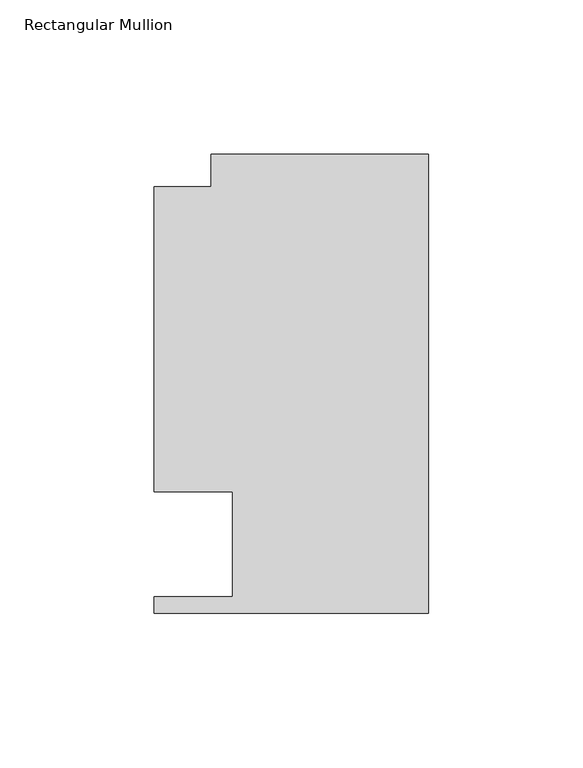
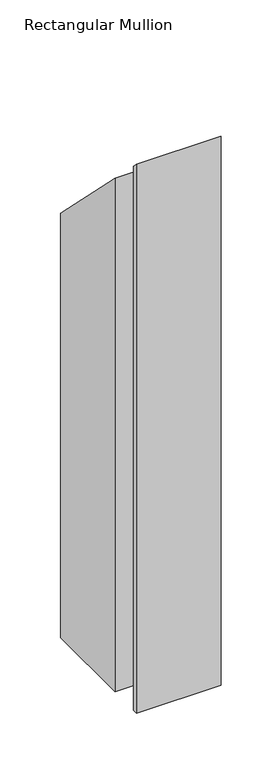
"""IFC4 building model written with IfcOpenShell, lengths in millimetres: member geometry, Rectangular Mullion."""

from ifc_helpers import new_model, si_unit, origin, place, context, project, spatial, faceted_brep, source, transform, mapped, element, save


def rectangular_mullion_9b3cb463(model_context):
    return source(origin(), model_context, "Body", "Brep", [
        faceted_brep([(0.0, 148.737016, -609.56825), (0.0, 0.0198437, -609.56825), (-88.9090899, 0.0198437, -609.56825), (-88.9090899, 5.3538437, -609.56825), (-63.5090899, 5.3538437, -609.56825), (-63.5090899, 39.3898438, -609.56825), (-88.9090899, 39.3898438, -609.56825), (-88.9090899, 138.3230199, -609.56825), (-70.3924898, 138.3230199, -609.56825), (-70.3924898, 148.737016, -609.56825), (-70.3924898, 148.737016, -148.737016), (0.0, 148.737016, -148.737016), (-70.3924898, 138.3230199, -138.3230199), (-88.9090899, 138.3230199, -138.3230199), (-88.9090899, 39.3898438, -39.3898437), (-63.5090899, 39.3898438, -39.3898437), (-63.5090899, 5.3538437, -5.3538437), (-88.9090899, 5.3538437, -5.3538437), (-88.9090899, 0.0198437, -0.0198437), (0.0, 0.0198437, -0.0198437)], [[[0, 1, 2, 3, 4, 5, 6, 7, 8, 9]], [[10, 11, 0, 9]], [[12, 10, 9, 8]], [[13, 12, 8, 7]], [[14, 13, 7, 6]], [[15, 14, 6, 5]], [[16, 15, 5, 4]], [[17, 16, 4, 3]], [[18, 17, 3, 2]], [[19, 18, 2, 1]], [[11, 19, 1, 0]], [[11, 10, 12, 13, 14, 15, 16, 17, 18, 19]]]),
    ])


if __name__ == "__main__":
    model = new_model("IFC4")
    model_context = context("Model", 3, world=origin())
    ifc_project = project(units=[si_unit("LENGTHUNIT", "METRE", prefix="MILLI")], contexts=[model_context])
    site = spatial("IfcSite", under=ifc_project)
    building = spatial("IfcBuilding", under=site)
    placement = place(None, origin())
    rectangular_mullion_shape = rectangular_mullion_9b3cb463(model_context)
    element("IfcMember", 1, ObjectType="Rectangular Mullion", at=placement, inside=building, context=model_context, shape_type="MappedRepresentation", body=[
        mapped(rectangular_mullion_shape, transform((0.0, 0.0, 0.0), x_axis=(1.0, 0.0, 0.0), y_axis=(0.0, 1.0, 0.0), z_axis=(0.0, 0.0, 1.0))),
    ])
    save(model, "model.ifc")
